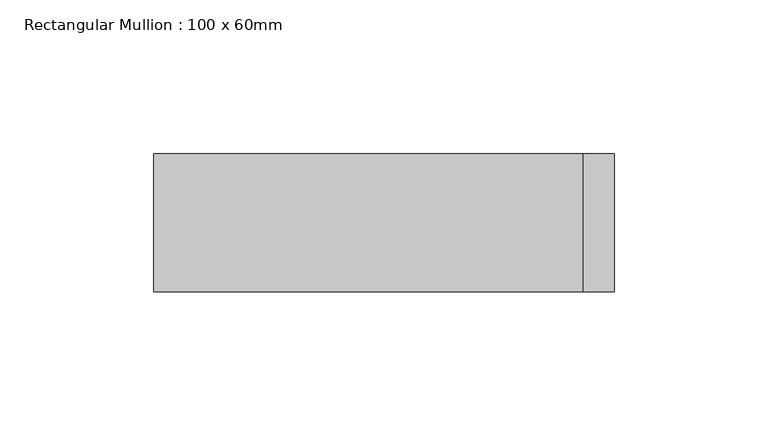
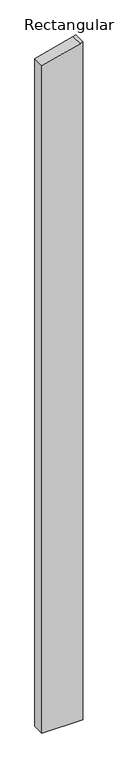
"""IFC4 building model written with IfcOpenShell, lengths in millimetres: member geometry, Rectangular Mullion : 100 x 60mm."""

from ifc_helpers import new_model, si_unit, frame, origin, place, context, project, spatial, polyline, outline, extrude, source, transform, mapped, element, save


def rectangular_mullion_100_x_60mm_78b5f1a3(model_context):
    return source(origin(), model_context, "Body", "SweptSolid", [
        extrude(outline(polyline([(-238.7228557, 75.0), (-241.4814566, 64.7047613), (-278.9152345, -75.0), (-2868.0583731, -75.0), (-2868.0583731, 75.0), (-238.7228557, 75.0)])), frame((0.0, -15.0, 0.0), z_axis=(0.0, 1.0, 0.0), x_axis=(0.0, 0.0, 1.0)), (0.0, 0.0, 1.0), 45.0),
    ])


if __name__ == "__main__":
    model = new_model("IFC4")
    model_context = context("Model", 3, world=origin())
    ifc_project = project(units=[si_unit("LENGTHUNIT", "METRE", prefix="MILLI")], contexts=[model_context])
    site = spatial("IfcSite", under=ifc_project)
    building = spatial("IfcBuilding", under=site)
    placement = place(None, origin())
    rectangular_mullion_100_x_60mm_shape = rectangular_mullion_100_x_60mm_78b5f1a3(model_context)
    element("IfcMember", 1, ObjectType="Rectangular Mullion : 100 x 60mm", at=placement, inside=building, context=model_context, shape_type="MappedRepresentation", body=[
        mapped(rectangular_mullion_100_x_60mm_shape, transform((0.0, 0.0, 0.0), x_axis=(1.0, 0.0, 0.0), y_axis=(0.0, 1.0, 0.0), z_axis=(0.0, 0.0, 1.0))),
    ])
    save(model, "model.ifc")
